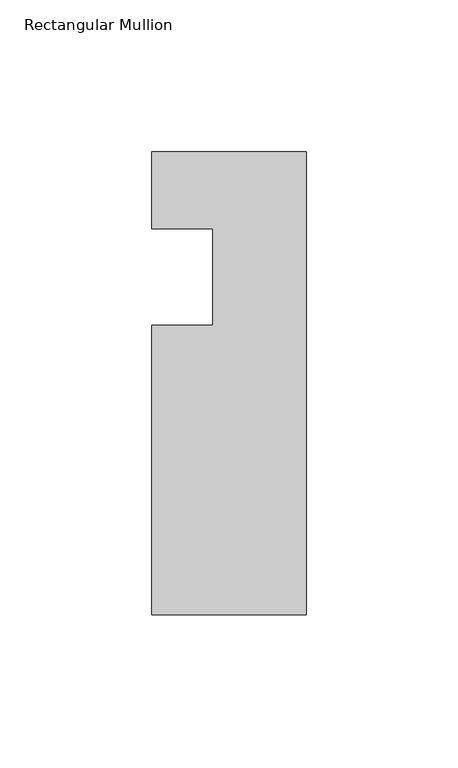
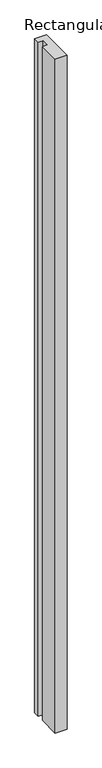
"""IFC4 building model written with IfcOpenShell, lengths in millimetres: member geometry, Rectangular Mullion."""

from ifc_helpers import new_model, si_unit, frame, origin, place, context, project, spatial, polyline, outline, extrude, source, transform, mapped, element, save


def rectangular_mullion_d1d435a7(model_context):
    return source(origin(), model_context, "Body", "SweptSolid", [
        extrude(outline(polyline([(-50.8, -152.4), (-50.8, -57.15), (-30.8102, -57.15), (-30.8102, -25.4), (-50.8, -25.4), (-50.8, 0.0), (0.0, 0.0), (0.0, -152.4), (-50.8, -152.4)])), frame((0.0, 0.0, -3048.0), z_axis=(0.0, 0.0, 1.0), x_axis=(1.0, 0.0, 0.0)), (0.0, 0.0, 1.0), 3048.0),
    ])


if __name__ == "__main__":
    model = new_model("IFC4")
    model_context = context("Model", 3, world=origin())
    ifc_project = project(units=[si_unit("LENGTHUNIT", "METRE", prefix="MILLI")], contexts=[model_context])
    site = spatial("IfcSite", under=ifc_project)
    building = spatial("IfcBuilding", under=site)
    placement = place(None, origin())
    rectangular_mullion_shape = rectangular_mullion_d1d435a7(model_context)
    element("IfcMember", 1, ObjectType="Rectangular Mullion", at=placement, inside=building, context=model_context, shape_type="MappedRepresentation", body=[
        mapped(rectangular_mullion_shape, transform((0.0, 0.0, 0.0), x_axis=(1.0, 0.0, 0.0), y_axis=(0.0, 1.0, 0.0), z_axis=(0.0, 0.0, 1.0))),
    ])
    save(model, "model.ifc")
